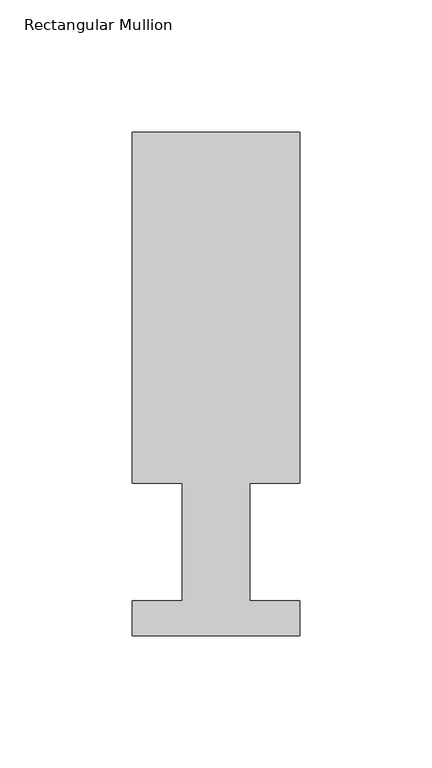
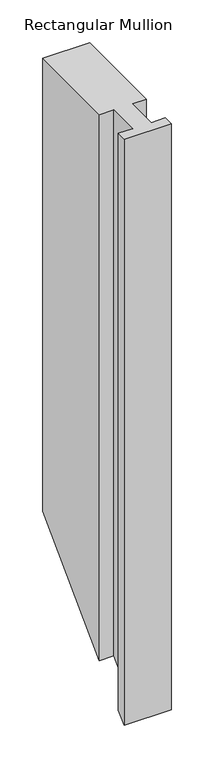
"""IFC4 building model written with IfcOpenShell, lengths in millimetres: member geometry, Rectangular Mullion."""

from ifc_helpers import new_model, si_unit, origin, place, context, project, spatial, faceted_brep, source, transform, mapped, element, save


def rectangular_mullion_541320f7(model_context):
    return source(origin(), model_context, "Body", "Brep", [
        faceted_brep([(-63.5, 190.5896937, 0.0), (-63.5, 57.6460937, 0.0), (-44.45, 57.6460937, 0.0), (-44.45, 13.1960937, 0.0), (-63.5, 13.1960937, 0.0), (-63.5, 0.0134937, 0.0), (0.0, 0.0134937, 0.0), (0.0, 13.1960937, 0.0), (-19.0373, 13.1960937, 0.0), (-19.0373, 57.6460937, 0.0), (0.0, 57.6460937, 0.0), (0.0, 190.5896937, 0.0), (-63.5, 190.5896937, -647.6103063), (-63.5, 57.6460937, -780.5539063), (-44.45, 57.6460937, -780.5539063), (-44.45, 13.1960937, -825.0039063), (-63.5, 13.1960937, -825.0039063), (-63.5, 0.0134937, -838.1865063), (0.0, 0.0134937, -838.1865063), (0.0, 13.1960937, -825.0039063), (-19.0373, 13.1960937, -825.0039063), (-19.0373, 57.6460937, -780.5539063), (0.0, 57.6460937, -780.5539063), (0.0, 190.5896937, -647.6103063)], [[[0, 1, 2, 3, 4, 5, 6, 7, 8, 9, 10, 11]], [[1, 0, 12, 13]], [[2, 1, 13, 14]], [[3, 2, 14, 15]], [[4, 3, 15, 16]], [[5, 4, 16, 17]], [[6, 5, 17, 18]], [[7, 6, 18, 19]], [[8, 7, 19, 20]], [[9, 8, 20, 21]], [[10, 9, 21, 22]], [[11, 10, 22, 23]], [[0, 11, 23, 12]], [[12, 23, 22, 21, 20, 19, 18, 17, 16, 15, 14, 13]]]),
    ])


if __name__ == "__main__":
    model = new_model("IFC4")
    model_context = context("Model", 3, world=origin())
    ifc_project = project(units=[si_unit("LENGTHUNIT", "METRE", prefix="MILLI")], contexts=[model_context])
    site = spatial("IfcSite", under=ifc_project)
    building = spatial("IfcBuilding", under=site)
    placement = place(None, origin())
    rectangular_mullion_shape = rectangular_mullion_541320f7(model_context)
    element("IfcMember", 1, ObjectType="Rectangular Mullion", at=placement, inside=building, context=model_context, shape_type="MappedRepresentation", body=[
        mapped(rectangular_mullion_shape, transform((0.0, 0.0, 0.0), x_axis=(1.0, 0.0, 0.0), y_axis=(0.0, 1.0, 0.0), z_axis=(0.0, 0.0, 1.0))),
    ])
    save(model, "model.ifc")
